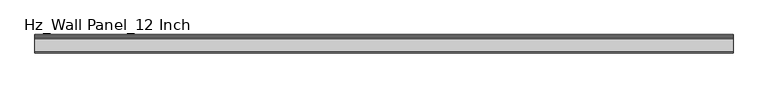
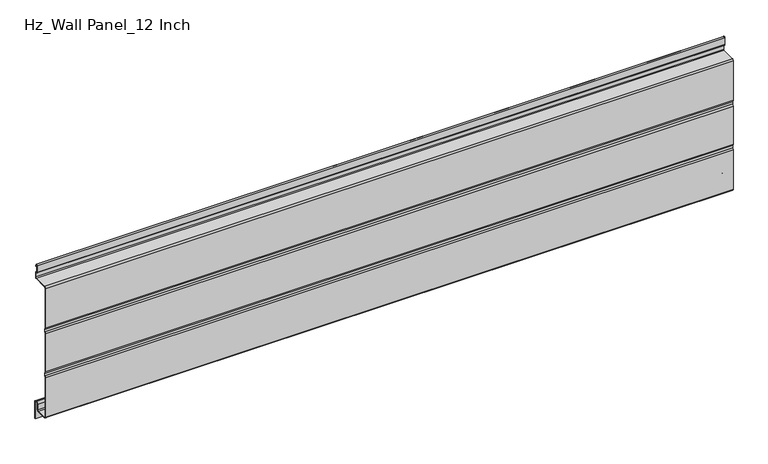
"""IFC4 building model written with IfcOpenShell, lengths in millimetres: plate geometry, Hz_Wall Panel_12 Inch."""

import ifcopenshell
import ifcopenshell.guid

model = None  # the IFC model being written
_history = None  # IfcOwnerHistory: only IFC2X3 demands one
_inside = {}  # id of a spatial element -> (the spatial element, [elements in it])
_under = {}  # id of a project, library or spatial element -> (it, [spatial elements below it])
_declared = {}  # id of a project -> (the project, [libraries it declares])
_typed = {}  # id of a type object -> (the type object, [elements of that type])
_made_of = {}  # id of a material, layer set ... -> (it, [elements and type objects made of it])


def new_model(schema):
    """Start an empty IFC model of exactly this schema.

    Asked for "IFC4X3", IfcOpenShell would pick the latest addendum, in which some entities
    have other attributes; the version numbers below select the first issue.
    IFC2X3 requires an IfcOwnerHistory on every rooted entity: one is made here for all.
    """
    global model, _history
    if schema == "IFC4X3":
        model = ifcopenshell.file(schema_version=(4, 3, 0, 0))
    else:
        model = ifcopenshell.file(schema=schema)
    _inside.clear()
    _under.clear()
    _declared.clear()
    _typed.clear()
    _made_of.clear()
    _history = None
    if model.schema == "IFC2X3":
        org = make("IfcOrganization", Name="unknown")
        user = make(
            "IfcPersonAndOrganization",
            ThePerson=make("IfcPerson", FamilyName="unknown"),
            TheOrganization=org,
        )
        app = make(
            "IfcApplication",
            ApplicationDeveloper=org,
            Version="unknown",
            ApplicationFullName="unknown",
            ApplicationIdentifier="unknown",
        )
        _history = make(
            "IfcOwnerHistory",
            OwningUser=user,
            OwningApplication=app,
            ChangeAction="ADDED",
            CreationDate=0,
        )
    return model


def make(cls, **values):
    """One entity of the class cls with the attributes given. An attribute that is None is left unset."""
    return model.create_entity(
        cls, **{name: value for name, value in values.items() if value is not None}
    )


def rooted(cls, **values):
    """An entity with a GlobalId (a new one), such as an element, a storey or a relation."""
    return make(cls, GlobalId=ifcopenshell.guid.new(), OwnerHistory=_history, **values)


def si_unit(unit_type, name, prefix=None):
    """IfcSIUnit, for example si_unit("LENGTHUNIT", "METRE", prefix="MILLI")."""
    return make("IfcSIUnit", UnitType=unit_type, Prefix=prefix, Name=name)


def assignment(units):
    """IfcUnitAssignment: the units of a project."""
    return None if units is None else make("IfcUnitAssignment", Units=units)


def point(xyz):
    """IfcCartesianPoint."""
    return None if xyz is None else make("IfcCartesianPoint", Coordinates=xyz)


def direction(xyz):
    """IfcDirection."""
    return None if xyz is None else make("IfcDirection", DirectionRatios=xyz)


def frame(location, z_axis=None, x_axis=None):
    """IfcAxis2Placement3D, a coordinate frame: its origin and axes. An axis left out is left unset."""
    return make(
        "IfcAxis2Placement3D",
        Location=point(location),
        Axis=direction(z_axis),
        RefDirection=direction(x_axis),
    )


def frame_2d(location, x_axis=None):
    """IfcAxis2Placement2D, a coordinate frame in the plane: its origin and x axis."""
    return make(
        "IfcAxis2Placement2D", Location=point(location), RefDirection=direction(x_axis)
    )


def origin():
    """The frame at (0, 0, 0) with its axes left unset."""
    return frame((0.0, 0.0, 0.0))


def place(relative_to, where):
    """IfcLocalPlacement: puts the frame where relative to a parent placement (None: the world)."""
    return make(
        "IfcLocalPlacement", PlacementRelTo=relative_to, RelativePlacement=where
    )


def context(
    kind, dimensions, precision=None, world=None, true_north=None, identifier=None
):
    """IfcGeometricRepresentationContext, for example the 3D "Model" context."""
    return make(
        "IfcGeometricRepresentationContext",
        ContextIdentifier=identifier,
        ContextType=kind,
        CoordinateSpaceDimension=dimensions,
        Precision=precision,
        WorldCoordinateSystem=world,
        TrueNorth=true_north,
    )


def project(units=None, contexts=None):
    """IfcProject with its units and contexts."""
    return rooted(
        "IfcProject",
        Name="project",
        RepresentationContexts=contexts,
        UnitsInContext=assignment(units),
    )


def spatial(cls, under=None, at=None, **own):
    """A site, building, storey or space (cls), placed at a placement, below another one or the project."""
    s = rooted(cls, ObjectPlacement=at, **own)
    if under is not None:
        _under.setdefault(under.id(), (under, []))[1].append(s)
    return s


def polyline(points):
    """IfcPolyline through the points."""
    return make("IfcPolyline", Points=[point(p) for p in points])


def circle_curve(where, radius):
    """IfcCircle in the frame where."""
    return make("IfcCircle", Position=where, Radius=radius)


def trimmed(basis, trim1, trim2, sense, master):
    """IfcTrimmedCurve: the piece of a basis curve between two trims."""
    return make(
        "IfcTrimmedCurve",
        BasisCurve=basis,
        Trim1=trim1,
        Trim2=trim2,
        SenseAgreement=sense,
        MasterRepresentation=master,
    )


def segment(curve, same_sense, transition):
    """IfcCompositeCurveSegment."""
    return make(
        "IfcCompositeCurveSegment",
        Transition=transition,
        SameSense=same_sense,
        ParentCurve=curve,
    )


def composite_curve(segments, self_intersect=None):
    """IfcCompositeCurve: segments joined end to end."""
    return make("IfcCompositeCurve", Segments=segments, SelfIntersect=self_intersect)


def outline(outer, holes=None, kind="AREA"):
    """IfcArbitraryClosedProfileDef: a profile drawn as a closed curve; with holes, ...WithVoids."""
    if holes is None:
        return make("IfcArbitraryClosedProfileDef", ProfileType=kind, OuterCurve=outer)
    return make(
        "IfcArbitraryProfileDefWithVoids",
        ProfileType=kind,
        OuterCurve=outer,
        InnerCurves=holes,
    )


def extrude(swept, where, along, depth):
    """IfcExtrudedAreaSolid: the profile swept, set in the frame where, extruded along a direction by depth."""
    return make(
        "IfcExtrudedAreaSolid",
        SweptArea=swept,
        Position=where,
        ExtrudedDirection=direction(along),
        Depth=depth,
    )


def shape(context_of_items, identifier, shape_type, items):
    """IfcShapeRepresentation: the items that make up one representation, for example the "Body"."""
    return make(
        "IfcShapeRepresentation",
        ContextOfItems=context_of_items,
        RepresentationIdentifier=identifier,
        RepresentationType=shape_type,
        Items=items,
    )


def source(mapping_origin, context_of_items, identifier, shape_type, items):
    """IfcRepresentationMap: a shape defined once, which mapped items show again and again."""
    return make(
        "IfcRepresentationMap",
        MappingOrigin=mapping_origin,
        MappedRepresentation=shape(context_of_items, identifier, shape_type, items),
    )


def transform(
    local_origin,
    x_axis=None,
    y_axis=None,
    z_axis=None,
    scale=None,
    scale2=None,
    scale3=None,
    uniform=True,
):
    """IfcCartesianTransformationOperator3D, or its non-uniform kind. x_axis, y_axis, z_axis: its Axis1, 2, 3."""
    if uniform:
        return make(
            "IfcCartesianTransformationOperator3D",
            Axis1=direction(x_axis),
            Axis2=direction(y_axis),
            LocalOrigin=point(local_origin),
            Scale=scale,
            Axis3=direction(z_axis),
        )
    return make(
        "IfcCartesianTransformationOperator3DnonUniform",
        Axis1=direction(x_axis),
        Axis2=direction(y_axis),
        LocalOrigin=point(local_origin),
        Scale=scale,
        Axis3=direction(z_axis),
        Scale2=scale2,
        Scale3=scale3,
    )


def mapped(mapping_source, mapping_target):
    """IfcMappedItem: shows the shape of a source again, moved by a transform."""
    return make(
        "IfcMappedItem", MappingSource=mapping_source, MappingTarget=mapping_target
    )


def made_of(thing, what):
    """Note that an element or type object is made of a material, layer set ...; save() writes the relation."""
    if what is not None:
        _made_of.setdefault(what.id(), (what, []))[1].append(thing)
    return thing


def element(
    cls,
    number,
    at=None,
    inside=None,
    cuts=None,
    type_object=None,
    material=None,
    context=None,
    identifier="Body",
    shape_type=None,
    held_by="IfcProductDefinitionShape",
    body=None,
    shapes=None,
    **own,
):
    """One element of the class cls, such as IfcWall. Its Tag is "e" and its number.

    at: its placement. inside: the storey or other place that contains it. cuts: it is an
    opening in that element (IfcRelVoidsElement). A single representation is given by context,
    identifier, shape_type and body (its items); several are given by shapes. held_by: the class
    of the entity that holds the representations. save() writes the other relations.
    """
    e = rooted(cls, Tag="e%d" % number, ObjectPlacement=at, **own)
    if body is not None:
        shapes = [shape(context, identifier, shape_type, body)]
    if shapes is not None:
        e.Representation = make(held_by, Representations=shapes)
    if inside is not None:
        _inside.setdefault(inside.id(), (inside, []))[1].append(e)
    if cuts is not None:
        rooted(
            "IfcRelVoidsElement", RelatingBuildingElement=cuts, RelatedOpeningElement=e
        )
    if type_object is not None:
        _typed.setdefault(type_object.id(), (type_object, []))[1].append(e)
    return made_of(e, material)


def aggregate(whole, parts):
    """IfcRelAggregates: a whole, such as a stair, and the parts it consists of."""
    return rooted("IfcRelAggregates", RelatingObject=whole, RelatedObjects=parts)


def save(model, path):
    """Write the relations noted so far, then the file.

    IfcRelAggregates (storeys below a building ...), IfcRelContainedInSpatialStructure (elements
    in a storey), IfcRelDefinesByType, IfcRelAssociatesMaterial and IfcRelDeclares: one each for
    every whole, place, type object, material and project.
    """
    for whole, parts in _under.values():
        aggregate(whole, parts)
    for where, things in _inside.values():
        rooted(
            "IfcRelContainedInSpatialStructure",
            RelatedElements=things,
            RelatingStructure=where,
        )
    for kind, things in _typed.values():
        rooted("IfcRelDefinesByType", RelatedObjects=things, RelatingType=kind)
    for what, things in _made_of.values():
        rooted("IfcRelAssociatesMaterial", RelatedObjects=things, RelatingMaterial=what)
    for by, libraries in _declared.values():
        rooted("IfcRelDeclares", RelatingContext=by, RelatedDefinitions=libraries)
    model.write(path)


def hz_wall_panel_12_inch_7cb9d48e(model_context):
    return source(origin(), model_context, "Body", "SweptSolid", [
        extrude(outline(composite_curve([segment(polyline([(-38.0, 201.4385501), (-38.0, 289.079134)]), True, "CONTINUOUS"), segment(trimmed(circle_curve(frame_2d((-34.70689, 289.079134)), 3.29311), [point((-38.0, 289.079134))], [point((-34.70689, 292.372244))], False, "CARTESIAN"), True, "CONTINUOUS"), segment(polyline([(-34.70689, 292.372244), (-4.6804414, 292.372244)]), True, "CONTINUOUS"), segment(trimmed(circle_curve(frame_2d((-4.6804414, 293.9612174)), 1.5889734), [point((-4.6804414, 292.372244))], [point((-3.091468, 293.9612174))], True, "CARTESIAN"), True, "CONTINUOUS"), segment(polyline([(-3.091468, 293.9612174), (-3.091468, 303.2121651)]), True, "CONTINUOUS"), segment(trimmed(circle_curve(frame_2d((-4.6804414, 303.2121651)), 1.5889734), [point((-3.091468, 303.2121651))], [point((-4.5031105, 304.7912123))], True, "CARTESIAN"), True, "CONTINUOUS"), segment(polyline([(-4.5031105, 304.7912123), (-5.6003442, 304.8272079)]), True, "CONTINUOUS"), segment(trimmed(circle_curve(frame_2d((-5.2325612, 307.29936)), 2.49936), [point((-5.6003442, 304.8272079))], [point((-7.7318827, 307.2854884))], False, "CARTESIAN"), True, "CONTINUOUS"), segment(polyline([(-7.7318827, 307.2854884), (-7.7318827, 322.2498701)]), True, "CONTINUOUS"), segment(trimmed(circle_curve(frame_2d((-6.0433563, 322.2375673)), 1.6885712), [point((-7.7318827, 322.2498701))], [point((-4.5270179, 322.9805278))], False, "CARTESIAN"), True, "CONTINUOUS"), segment(polyline([(-4.5270179, 322.9805278), (-2.747209, 318.4777345), (-3.4911982, 318.1836596), (-5.2575023, 322.6522866)]), True, "CONTINUOUS"), segment(trimmed(circle_curve(frame_2d((-6.0433563, 322.2375673)), 0.8885712), [point((-5.2575023, 322.6522866))], [point((-6.9318827, 322.2464919))], True, "CARTESIAN"), True, "CONTINUOUS"), segment(polyline([(-6.9318827, 322.2464919), (-6.9318827, 307.2879219)]), True, "CONTINUOUS"), segment(trimmed(circle_curve(frame_2d((-5.2325612, 307.29936)), 1.69936), [point((-6.9318827, 307.2879219))], [point((-5.4826235, 305.6184991))], True, "CARTESIAN"), True, "CONTINUOUS"), segment(polyline([(-5.4826235, 305.6184991), (-4.1312816, 305.5371634)]), True, "CONTINUOUS"), segment(trimmed(circle_curve(frame_2d((-4.6804414, 303.2121651)), 2.3889734), [point((-4.1312816, 305.5371634))], [point((-2.291468, 303.2121651))], False, "CARTESIAN"), True, "CONTINUOUS"), segment(polyline([(-2.291468, 303.2121651), (-2.291468, 293.9612174)]), True, "CONTINUOUS"), segment(trimmed(circle_curve(frame_2d((-4.6804414, 293.9612174)), 2.3889734), [point((-2.291468, 293.9612174))], [point((-4.6804414, 291.572244))], False, "CARTESIAN"), True, "CONTINUOUS"), segment(polyline([(-4.6804414, 291.572244), (-34.70689, 291.572244)]), True, "CONTINUOUS"), segment(trimmed(circle_curve(frame_2d((-34.70689, 289.079134)), 2.49311), [point((-34.70689, 291.572244))], [point((-37.2, 289.079134))], True, "CARTESIAN"), True, "CONTINUOUS"), segment(polyline([(-37.2, 289.079134), (-37.2, 201.4385501)]), True, "CONTINUOUS"), segment(trimmed(circle_curve(frame_2d((-32.6854733, 201.4385501)), 4.5145267), [point((-37.2, 201.4385501))], [point((-35.70775, 198.084926))], True, "CARTESIAN"), True, "CONTINUOUS"), segment(polyline([(-35.70775, 198.084926), (-35.70775, 192.0925395)]), True, "CONTINUOUS"), segment(trimmed(circle_curve(frame_2d((-32.6854733, 188.7389154)), 4.5145267), [point((-35.70775, 192.0925395))], [point((-37.2, 188.7389154))], True, "CARTESIAN"), True, "CONTINUOUS"), segment(polyline([(-37.2, 188.7389154), (-37.2, 103.6314441)]), True, "CONTINUOUS"), segment(trimmed(circle_curve(frame_2d((-32.6854733, 103.6314441)), 4.5145267), [point((-37.2, 103.6314441))], [point((-35.70775, 100.27782))], True, "CARTESIAN"), True, "CONTINUOUS"), segment(polyline([(-35.70775, 100.27782), (-35.70775, 94.2854335)]), True, "CONTINUOUS"), segment(trimmed(circle_curve(frame_2d((-32.6854733, 90.9318094)), 4.5145267), [point((-35.70775, 94.2854335))], [point((-37.2, 90.9318094))], True, "CARTESIAN"), True, "CONTINUOUS"), segment(polyline([(-37.2, 90.9318094), (-37.2, 3.29311)]), True, "CONTINUOUS"), segment(trimmed(circle_curve(frame_2d((-34.70689, 3.29311)), 2.49311), [point((-37.2, 3.29311))], [point((-34.70689, 0.8))], True, "CARTESIAN"), True, "CONTINUOUS"), segment(polyline([(-34.70689, 0.8), (-12.42347, 0.8)]), True, "CONTINUOUS"), segment(trimmed(circle_curve(frame_2d((-12.42347, 3.175)), 2.375), [point((-12.42347, 0.8))], [point((-10.04847, 3.175))], True, "CARTESIAN"), True, "CONTINUOUS"), segment(polyline([(-10.04847, 3.175), (-10.04847, 14.707235)]), True, "CONTINUOUS"), segment(trimmed(circle_curve(frame_2d((-6.07347, 14.707235)), 3.975), [point((-10.04847, 14.707235))], [point((-6.07347, 18.682235))], False, "CARTESIAN"), True, "CONTINUOUS"), segment(polyline([(-6.07347, 18.682235), (-3.975, 18.682235)]), True, "CONTINUOUS"), segment(trimmed(circle_curve(frame_2d((-3.975, 14.707235)), 3.975), [point((-3.975, 18.682235))], [point((0.0, 14.707235))], False, "CARTESIAN"), True, "CONTINUOUS"), segment(polyline([(0.0, 14.707235), (0.0, -22.480905), (-0.8, -22.480905), (-0.8, 14.707235)]), True, "CONTINUOUS"), segment(trimmed(circle_curve(frame_2d((-3.975, 14.707235)), 3.175), [point((-0.8, 14.707235))], [point((-3.975, 17.882235))], True, "CARTESIAN"), True, "CONTINUOUS"), segment(polyline([(-3.975, 17.882235), (-6.07347, 17.882235)]), True, "CONTINUOUS"), segment(trimmed(circle_curve(frame_2d((-6.07347, 14.707235)), 3.175), [point((-6.07347, 17.882235))], [point((-9.24847, 14.707235))], True, "CARTESIAN"), True, "CONTINUOUS"), segment(polyline([(-9.24847, 14.707235), (-9.24847, 3.175)]), True, "CONTINUOUS"), segment(trimmed(circle_curve(frame_2d((-12.42347, 3.175)), 3.175), [point((-9.24847, 3.175))], [point((-12.42347, 0.0))], False, "CARTESIAN"), True, "CONTINUOUS"), segment(polyline([(-12.42347, 0.0), (-34.70689, 0.0)]), True, "CONTINUOUS"), segment(trimmed(circle_curve(frame_2d((-34.70689, 3.29311)), 3.29311), [point((-34.70689, 0.0))], [point((-38.0, 3.29311))], False, "CARTESIAN"), True, "CONTINUOUS"), segment(polyline([(-38.0, 3.29311), (-38.0, 90.9318094)]), True, "CONTINUOUS"), segment(trimmed(circle_curve(frame_2d((-32.6854733, 90.9318094)), 5.3145267), [point((-38.0, 90.9318094))], [point((-36.50775, 94.6242876))], False, "CARTESIAN"), True, "CONTINUOUS"), segment(polyline([(-36.50775, 94.6242876), (-36.50775, 99.938966)]), True, "CONTINUOUS"), segment(trimmed(circle_curve(frame_2d((-32.6854733, 103.6314441)), 5.3145267), [point((-36.50775, 99.938966))], [point((-38.0, 103.6314441))], False, "CARTESIAN"), True, "CONTINUOUS"), segment(polyline([(-38.0, 103.6314441), (-38.0, 188.7389154)]), True, "CONTINUOUS"), segment(trimmed(circle_curve(frame_2d((-32.6854733, 188.7389154)), 5.3145267), [point((-38.0, 188.7389154))], [point((-36.50775, 192.4313935))], False, "CARTESIAN"), True, "CONTINUOUS"), segment(polyline([(-36.50775, 192.4313935), (-36.50775, 197.746072)]), True, "CONTINUOUS"), segment(trimmed(circle_curve(frame_2d((-32.6854733, 201.4385501)), 5.3145267), [point((-36.50775, 197.746072))], [point((-38.0, 201.4385501))], False, "CARTESIAN"), True, "CONTINUOUS")], self_intersect=False)), frame((-723.9042608, 0.0, 0.0), z_axis=(1.0, 0.0, 0.0), x_axis=(0.0, 1.0, 0.0)), (0.0, 0.0, 1.0), 1447.8085217),
    ])


if __name__ == "__main__":
    model = new_model("IFC4")
    model_context = context("Model", 3, world=origin())
    ifc_project = project(units=[si_unit("LENGTHUNIT", "METRE", prefix="MILLI")], contexts=[model_context])
    site = spatial("IfcSite", under=ifc_project)
    building = spatial("IfcBuilding", under=site)
    placement = place(None, origin())
    hz_wall_panel_12_inch_shape = hz_wall_panel_12_inch_7cb9d48e(model_context)
    element("IfcPlate", 1, ObjectType="Hz_Wall Panel_12 Inch", at=placement, inside=building, context=model_context, shape_type="MappedRepresentation", body=[
        mapped(hz_wall_panel_12_inch_shape, transform((0.0, 0.0, 0.0), x_axis=(1.0, 0.0, 0.0), y_axis=(0.0, 1.0, 0.0), z_axis=(0.0, 0.0, 1.0))),
    ])
    save(model, "model.ifc")
